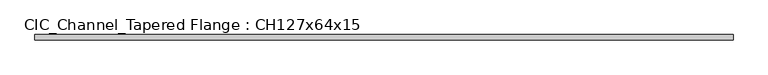
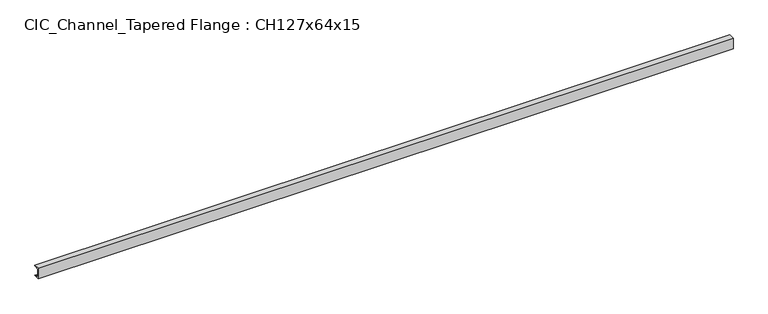
"""IFC4 building model written with IfcOpenShell, lengths in millimetres: beam geometry, CIC_Channel_Tapered Flange : CH127x64x15."""

from ifc_helpers import new_model, si_unit, point, frame, frame_2d, origin, place, context, project, spatial, polyline, circle_curve, trimmed, segment, composite_curve, outline, extrude, source, transform, mapped, element, save


def cic_channel_tapered_flange_ch127x64x15_c36d435a(model_context):
    return source(origin(), model_context, "Body", "SweptSolid", [
        extrude(outline(composite_curve([segment(polyline([(-19.4, 63.5), (44.1, 63.5)]), True, "CONTINUOUS"), segment(trimmed(circle_curve(frame_2d((34.9, 63.5)), 9.2), [point((44.1, 63.5))], [point((34.9, 54.3))], False, "CARTESIAN"), True, "CONTINUOUS"), segment(polyline([(34.9, 54.3), (-13.0, 46.7133853), (-13.0, -46.7133853), (34.9, -54.3)]), True, "CONTINUOUS"), segment(trimmed(circle_curve(frame_2d((34.9, -63.5)), 9.2), [point((34.9, -54.3))], [point((44.1, -63.5))], False, "CARTESIAN"), True, "CONTINUOUS"), segment(polyline([(44.1, -63.5), (-19.4, -63.5), (-19.4, 63.5)]), True, "CONTINUOUS")], self_intersect=False)), frame((-3999.95, 0.0, 0.0), z_axis=(1.0, 0.0, 0.0), x_axis=(0.0, 1.0, 0.0)), (0.0, 0.0, 1.0), 7999.9),
    ])


if __name__ == "__main__":
    model = new_model("IFC4")
    model_context = context("Model", 3, world=origin())
    ifc_project = project(units=[si_unit("LENGTHUNIT", "METRE", prefix="MILLI")], contexts=[model_context])
    site = spatial("IfcSite", under=ifc_project)
    building = spatial("IfcBuilding", under=site)
    placement = place(None, origin())
    cic_channel_tapered_flange_ch127x64x15_shape = cic_channel_tapered_flange_ch127x64x15_c36d435a(model_context)
    element("IfcBeam", 1, ObjectType="CIC_Channel_Tapered Flange : CH127x64x15", at=placement, inside=building, context=model_context, shape_type="MappedRepresentation", body=[
        mapped(cic_channel_tapered_flange_ch127x64x15_shape, transform((0.0, 0.0, 0.0), x_axis=(1.0, 0.0, 0.0), y_axis=(0.0, 1.0, 0.0), z_axis=(0.0, 0.0, 1.0))),
    ])
    save(model, "model.ifc")
